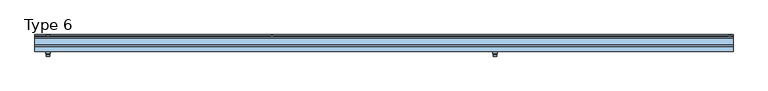
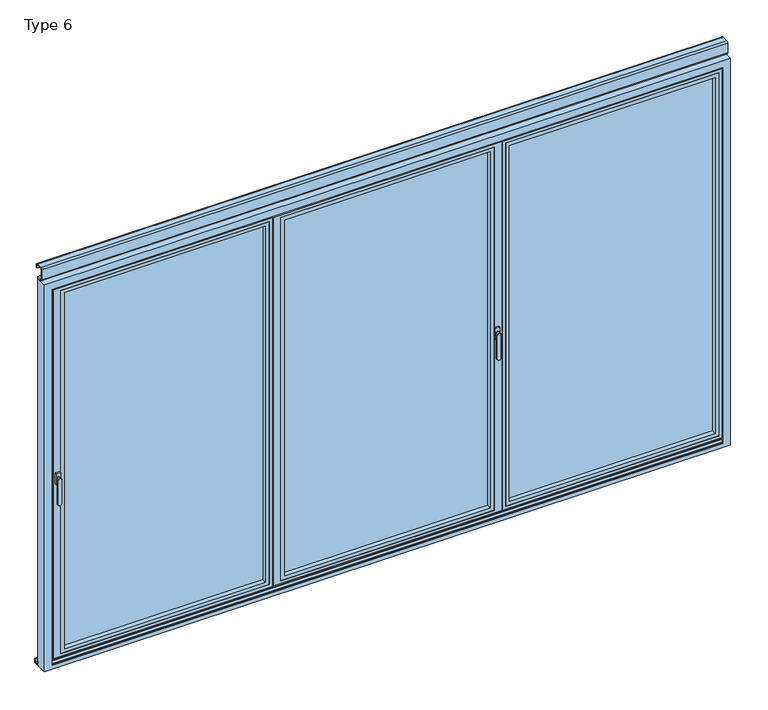
"""IFC4 building model written with IfcOpenShell, lengths in millimetres: window geometry, Type 6."""

from ifc_helpers import new_model, si_unit, point, frame, frame_2d, origin, place, context, project, spatial, polyline, circle_curve, trimmed, segment, composite_curve, outline, extrude, faceted_brep, source, transform, mapped, element, save
from ifc_brep_helpers import plane_surface, revolved_surface, advanced_brep


def type_6_2e5f3cea(model_context):
    return source(origin(), model_context, "Body", "SolidModel", [
        advanced_brep(
        [(-1712.0, 89.0, 1028.0), (-1734.0, 89.0, 1028.0), (-1713.0, 96.5, 1028.0), (-1733.0, 96.5, 1028.0), (-1732.0, 104.0, 896.6867153), (-1714.0, 104.0, 896.6867153), (-1713.0, 96.5, 896.6867153), (-1733.0, 96.5, 896.6867153), (-1732.0, 104.0, 1028.0), (-1714.0, 104.0, 1028.0)],
        [
            (0, 1, circle_curve(frame((-1723.0, 89.0, 1028.0), z_axis=(0.0, -1.0, 0.0), x_axis=(1.0, 0.0, 0.0)), 11.0)),
            (1, 0, circle_curve(frame((-1723.0, 89.0, 1028.0), z_axis=(0.0, -1.0, 0.0), x_axis=(-1.0, 0.0, 0.0)), 11.0)),
            (0, 2),
            (2, 3, circle_curve(frame((-1723.0, 96.5, 1028.0), z_axis=(0.0, -1.0, 0.0), x_axis=(1.0, 0.0, 0.0)), 10.0)),
            (3, 1),
            (4, 5, circle_curve(frame((-1723.0, 104.0, 896.6867153), z_axis=(0.0, -1.0, 0.0), x_axis=(1.0, 0.0, 0.0)), 9.0)),
            (5, 6),
            (6, 7, circle_curve(frame((-1723.0, 96.5, 896.6867153), z_axis=(0.0, 1.0, 0.0), x_axis=(1.0, 0.0, 0.0)), 10.0)),
            (7, 4),
            (4, 8),
            (8, 9, circle_curve(frame((-1723.0, 104.0, 1028.0), z_axis=(0.0, 1.0, 0.0), x_axis=(-1.0, 0.0, 0.0)), 9.0)),
            (9, 5),
            (6, 2),
            (2, 3, circle_curve(frame((-1723.0, 96.5, 1028.0), z_axis=(0.0, 1.0, 0.0), x_axis=(-1.0, 0.0, 0.0)), 10.0)),
            (3, 7),
            (3, 8),
            (2, 9),
        ],
        [
            plane_surface(frame((-1723.0, 89.0, 1028.0), z_axis=(0.0, -1.0, 0.0), x_axis=(0.0, 0.0, 1.0))),
            revolved_surface(polyline([(-1733.0, 96.5, 1028.0), (-1734.0, 89.0, 1028.0)]), (-1723.0, 171.5, 1028.0), (0.0, -1.0, 0.0)),
            revolved_surface(polyline([(-1714.0, 104.0, 896.6867153), (-1713.0, 96.5, 896.6867153)]), (-1723.0, 171.5, 896.6867153), (0.0, -1.0, 0.0)),
            plane_surface(frame((-1723.0, 104.0, 962.3433576), z_axis=(0.0, 1.0, 0.0), x_axis=(0.0, 0.0, -1.0))),
            plane_surface(frame((-1723.0, 96.5, 962.3433576), z_axis=(0.0, -1.0, 0.0), x_axis=(0.0, 0.0, -1.0))),
            plane_surface(frame((-1733.0, 96.5, 962.3433576), z_axis=(-0.9912279006826299, 0.13216372009105404, 0.0), x_axis=(0.0, 0.0, 1.0))),
            revolved_surface(polyline([(-1732.0, 104.0, 1028.0), (-1733.0, 96.5, 1028.0)]), (-1723.0, 171.5, 1028.0), (0.0, -1.0, 0.0)),
            plane_surface(frame((-1713.0, 96.5, 962.3433576), z_axis=(0.9912279006826269, 0.1321637200910767, 0.0), x_axis=(0.0, 0.0, -1.0))),
            revolved_surface(polyline([(-1713.0, 96.5, 1028.0), (-1712.0, 89.0, 1028.0)]), (-1723.0, 171.5, 1028.0), (0.0, -1.0, 0.0)),
        ],
        [
            (0, [[1, 2]]),
            (1, [[-1, 3, 4, 5]]),
            (2, [[6, 7, 8, 9]]),
            (3, [[-6, 10, 11, 12]]),
            (4, [[13, 14, 15, -8]]),
            (5, [[-10, -9, -15, 16]]),
            (6, [[-11, -16, -4, 17]]),
            (7, [[-12, -17, -13, -7]]),
            (8, [[-2, -5, -14, -3]]),
        ],
    ),
        extrude(outline(polyline([(-1735.0, 89.0), (-1711.0, 89.0), (-1711.0, 80.0), (-1735.0, 80.0), (-1735.0, 89.0)])), frame((0.0, 0.0, 998.0), z_axis=(0.0, 0.0, 1.0), x_axis=(1.0, 0.0, 0.0)), (0.0, 0.0, 1.0), 60.0),
        advanced_brep(
        [(-1714.0, -4.0, 896.6867153), (-1714.0, -4.0, 1028.0), (-1732.0, -4.0, 1028.0), (-1732.0, -4.0, 896.6867153), (-1713.0, 3.5, 896.6867153), (-1733.0, 3.5, 896.6867153), (-1733.0, 3.5, 1028.0), (-1713.0, 3.5, 1028.0), (-1712.0, 11.0, 1028.0), (-1734.0, 11.0, 1028.0)],
        [
            (0, 1),
            (1, 2, circle_curve(frame((-1723.0, -4.0, 1028.0), z_axis=(0.0, -1.0, 0.0), x_axis=(-1.0, 0.0, 0.0)), 9.0)),
            (2, 3),
            (3, 0, circle_curve(frame((-1723.0, -4.0, 896.6867153), z_axis=(0.0, -1.0, 0.0), x_axis=(1.0, 0.0, 0.0)), 9.0)),
            (4, 5, circle_curve(frame((-1723.0, 3.5, 896.6867153), z_axis=(0.0, 1.0, 0.0), x_axis=(1.0, 0.0, 0.0)), 10.0)),
            (5, 6),
            (6, 7, circle_curve(frame((-1723.0, 3.5, 1028.0), z_axis=(0.0, -1.0, 0.0), x_axis=(-1.0, 0.0, 0.0)), 10.0)),
            (7, 4),
            (3, 5),
            (4, 0),
            (2, 6),
            (1, 7),
            (7, 6, circle_curve(frame((-1723.0, 3.5, 1028.0), z_axis=(0.0, -1.0, 0.0), x_axis=(-1.0, 0.0, 0.0)), 10.0)),
            (8, 9, circle_curve(frame((-1723.0, 11.0, 1028.0), z_axis=(0.0, 1.0, 0.0), x_axis=(-1.0, 0.0, 0.0)), 11.0)),
            (9, 8, circle_curve(frame((-1723.0, 11.0, 1028.0), z_axis=(0.0, 1.0, 0.0), x_axis=(1.0, 0.0, 0.0)), 11.0)),
            (9, 6),
            (7, 8),
        ],
        [
            plane_surface(frame((-1723.0, -4.0, 962.3433576), z_axis=(0.0, -1.0, 0.0), x_axis=(0.0, 0.0, -1.0))),
            plane_surface(frame((-1723.0, 3.5, 962.3433576), z_axis=(0.0, 1.0, 0.0), x_axis=(0.0, 0.0, -1.0))),
            revolved_surface(polyline([(-1732.0, -4.0, 896.6867153), (-1733.0, 3.5, 896.6867153)]), (-1723.0, -71.5, 896.6867153), (0.0, 1.0, 0.0)),
            plane_surface(frame((-1733.0, 3.5, 962.3433576), z_axis=(-0.9912279006826277, -0.1321637200910704, 0.0), x_axis=(0.0, 0.0, 1.0))),
            revolved_surface(polyline([(-1714.0, -4.0, 1028.0), (-1713.0, 3.5, 1028.0)]), (-1723.0, -71.5, 1028.0), (0.0, 1.0, 0.0)),
            plane_surface(frame((-1713.0, 3.5, 962.3433576), z_axis=(0.9912279006826291, -0.1321637200910603, 0.0), x_axis=(0.0, 0.0, -1.0))),
            plane_surface(frame((-1723.0, 11.0, 1028.0), z_axis=(0.0, 1.0, 0.0), x_axis=(0.0, 0.0, 1.0))),
            revolved_surface(polyline([(-1733.0, 3.5, 1028.0), (-1734.0, 11.0, 1028.0)]), (-1723.0, -71.5, 1028.0), (0.0, 1.0, 0.0)),
            revolved_surface(polyline([(-1713.0, 3.5, 1028.0), (-1712.0, 11.0, 1028.0)]), (-1723.0, -71.5, 1028.0), (0.0, 1.0, 0.0)),
        ],
        [
            (0, [[1, 2, 3, 4]]),
            (1, [[5, 6, 7, 8]]),
            (2, [[9, -5, 10, -4]]),
            (3, [[11, -6, -9, -3]]),
            (4, [[12, 13, -11, -2]]),
            (5, [[-10, -8, -12, -1]]),
            (6, [[14, 15]]),
            (7, [[16, -13, 17, -15]]),
            (8, [[-17, -7, -16, -14]]),
        ],
    ),
        extrude(outline(polyline([(-1735.0, 11.0), (-1735.0, 20.0), (-1711.0, 20.0), (-1711.0, 11.0), (-1735.0, 11.0)])), frame((0.0, 0.0, 998.0), z_axis=(0.0, 0.0, 1.0), x_axis=(1.0, 0.0, 0.0)), (0.0, 0.0, 1.0), 60.0),
        extrude(outline(polyline([(-1755.0009231, 73.0), (-1730.0, 73.0), (-1730.0, 27.0), (-1755.0009231, 27.0), (-1755.0009231, 73.0)])), frame((0.0, 0.0, 25.0), z_axis=(0.0, 0.0, 1.0), x_axis=(1.0, 0.0, 0.0)), (0.0, 0.0, 1.0), 2055.0),
        faceted_brep([(-1770.0, 80.0, 10.0), (-1770.0, 80.0, 2095.0), (-1765.0, 80.0, 2095.0), (-1765.0, 80.0, 2070.0), (-1720.0, 80.0, 2070.0), (-1720.0, 80.0, 2095.0), (-576.6666667, 80.0, 2095.0), (-576.6666667, 80.0, 10.0), (-1720.0, 80.0, 10.0), (-1720.0, 80.0, 35.0), (-1765.0, 80.0, 35.0), (-1765.0, 80.0, 10.0), (-639.1666667, 80.0, 72.5), (-639.1666667, 80.0, 2032.5), (-1682.5, 80.0, 2032.5), (-1682.5, 80.0, 72.5), (-601.6666667, 20.0, 2070.0), (-606.6666667, 20.0, 2070.0), (-1745.0, 20.0, 2070.0), (-1745.0, 20.0, 35.0), (-606.6666667, 20.0, 35.0), (-601.6666667, 20.0, 35.0), (-1705.0, 20.0, 50.0), (-1705.0, 20.0, 2055.0), (-616.6666667, 20.0, 2055.0), (-616.6666667, 20.0, 50.0), (-616.6666667, 72.75, 2055.0), (-616.6666667, 72.75, 50.0), (-1705.0, 72.75, 50.0), (-1705.0, 72.75, 2055.0), (-1682.5, 72.75, 72.5), (-1682.5, 72.75, 2032.5), (-639.1666667, 72.75, 2032.5), (-639.1666667, 72.75, 72.5), (-576.6666667, 73.0, 10.0), (-1720.0, 73.0, 10.0), (-1745.0, 27.0, 35.0), (-1730.0, 27.0, 35.0), (-606.6666667, 27.0, 35.0), (-601.6666667, 27.0, 35.0), (-1720.0, 73.0, 25.0), (-1720.0, 73.0, 35.0), (-1720.0, 73.0, 2070.0), (-1720.0, 73.0, 2080.0), (-1720.0, 73.0, 2095.0), (-1730.0, 73.0, 2070.0), (-1730.0, 73.0, 2080.0), (-1730.0, 73.0, 25.0), (-1730.0, 73.0, 35.0), (-591.6666667, 73.0, 25.0), (-591.6666667, 73.0, 35.0), (-591.6666667, 73.0, 2070.0), (-591.6666667, 73.0, 2080.0), (-591.6666667, 27.0, 2080.0), (-591.6666667, 27.0, 25.0), (-1730.0, 27.0, 25.0), (-1730.0, 27.0, 2070.0), (-1730.0, 27.0, 2080.0), (-606.6666667, 27.0, 2070.0), (-601.6666667, 27.0, 2070.0), (-576.6666667, 73.0, 35.0), (-576.6666667, 73.0, 2070.0), (-576.6666667, 73.0, 2095.0), (-1745.0, 27.0, 2070.0), (-1765.0, 73.0, 10.0), (-1770.0, 73.0, 10.0), (-1765.0, 73.0, 35.0), (-1765.0, 73.0, 2095.0), (-1765.0, 73.0, 2070.0), (-1770.0, 73.0, 2095.0)], [[[0, 1, 2, 3, 4, 5, 6, 7, 8, 9, 10, 11], [12, 13, 14, 15]], [[16, 17, 18, 19, 20, 21], [22, 23, 24, 25]], [[25, 24, 26, 27]], [[27, 28, 22, 25]], [[28, 29, 23, 22]], [[27, 26, 29, 28], [30, 31, 32, 33]], [[33, 32, 13, 12]], [[12, 15, 30, 33]], [[15, 14, 31, 30]], [[29, 26, 24, 23]], [[14, 13, 32, 31]], [[34, 35, 8, 7]], [[21, 20, 19, 36, 37, 38, 39]], [[35, 40, 41, 9, 8]], [[5, 4, 42, 43, 44]], [[43, 42, 45, 46]], [[47, 48, 41, 40]], [[49, 50, 51, 52, 53, 54]], [[54, 55, 47, 40, 49]], [[55, 37, 56, 57, 46, 45, 48, 47]], [[57, 53, 52, 43, 46]], [[54, 53, 57, 56, 58, 59, 39, 38, 37, 55]], [[21, 39, 59, 16]], [[35, 34, 60, 61, 62, 44, 43, 52, 51, 50, 49, 40]], [[6, 5, 44, 62]], [[59, 58, 56, 63, 18, 17, 16]], [[0, 11, 64, 65]], [[11, 10, 66, 64]], [[67, 68, 3, 2]], [[66, 10, 9, 41, 48]], [[62, 61, 60, 34, 7, 6]], [[65, 69, 1, 0]], [[19, 18, 63, 36]], [[64, 66, 48, 45, 68, 67, 69, 65]], [[63, 56, 37, 36]], [[1, 69, 67, 2]], [[45, 42, 4, 3, 68]]]),
        extrude(outline(polyline([(-616.6666667, 72.75), (-616.6666667, 44.75), (-1705.0, 44.75), (-1705.0, 72.75), (-616.6666667, 72.75)])), frame((0.0, 0.0, 50.0), z_axis=(0.0, 0.0, 1.0), x_axis=(1.0, 0.0, 0.0)), (0.0, 0.0, 1.0), 2005.0),
        extrude(outline(polyline([(2055.0, -616.6666667), (2055.0, -1705.0), (50.0, -1705.0), (50.0, -616.6666667), (2055.0, -616.6666667)]), holes=[polyline([(2035.0009231, -1685.0009231), (2035.0009231, -636.6657436), (69.9990769, -636.6657436), (69.9990769, -1685.0009231), (2035.0009231, -1685.0009231)])]), frame((0.0, 20.5, 0.0), z_axis=(0.0, 1.0, 0.0), x_axis=(0.0, 0.0, 1.0)), (0.0, 0.0, 1.0), 24.25),
        extrude(outline(composite_curve([segment(trimmed(circle_curve(frame_2d((-574.1666667, 93.5)), 10.0), [point((-564.1666667, 93.5))], [point((-584.1666667, 93.5))], False, "CARTESIAN"), True, "CONTINUOUS"), segment(trimmed(circle_curve(frame_2d((-574.1666667, 93.5)), 10.0), [point((-584.1666667, 93.5))], [point((-564.1666667, 93.5))], False, "CARTESIAN"), True, "CONTINUOUS")], self_intersect=False)), frame((0.0, 0.0, -12.0640378), z_axis=(0.0, 0.0, 1.0), x_axis=(1.0, 0.0, 0.0)), (0.0, 0.0, 1.0), 166.5636122),
        extrude(outline(composite_curve([segment(trimmed(circle_curve(frame_2d((-574.1666667, 93.5)), 10.0), [point((-584.1666667, 93.5))], [point((-564.1666667, 93.5))], False, "CARTESIAN"), True, "CONTINUOUS"), segment(trimmed(circle_curve(frame_2d((-574.1666667, 93.5)), 10.0), [point((-564.1666667, 93.5))], [point((-584.1666667, 93.5))], False, "CARTESIAN"), True, "CONTINUOUS")], self_intersect=False)), frame((0.0, 0.0, 1972.5), z_axis=(0.0, 0.0, 1.0), x_axis=(1.0, 0.0, 0.0)), (0.0, 0.0, 1.0), 153.5),
        advanced_brep(
        [(560.1666667, -4.0, 896.6867153), (578.1666667, -4.0, 896.6867153), (578.1666667, -4.0, 1028.0), (560.1666667, -4.0, 1028.0), (559.1666667, 3.5, 896.6867153), (559.1666667, 3.5, 1028.0), (579.1666667, 3.5, 1028.0), (579.1666667, 3.5, 896.6867153), (558.1666667, 11.0, 1028.0), (580.1666667, 11.0, 1028.0)],
        [
            (0, 1, circle_curve(frame((569.1666667, -4.0, 896.6867153), z_axis=(0.0, -1.0, 0.0), x_axis=(-1.0000000000000009, 0.0, 0.0)), 9.0)),
            (1, 2),
            (2, 3, circle_curve(frame((569.1666667, -4.0, 1028.0), z_axis=(0.0, -1.0, 0.0), x_axis=(1.0000000000000009, 0.0, 0.0)), 9.0)),
            (3, 0),
            (4, 5),
            (5, 6, circle_curve(frame((569.1666667, 3.5, 1028.0), z_axis=(0.0, -1.0, 0.0), x_axis=(1.0000000000000009, 0.0, 0.0)), 10.0)),
            (6, 7),
            (7, 4, circle_curve(frame((569.1666667, 3.5, 896.6867153), z_axis=(0.0, 1.0, 0.0), x_axis=(-1.0000000000000009, 0.0, 0.0)), 10.0)),
            (0, 4),
            (7, 1),
            (6, 2),
            (6, 5, circle_curve(frame((569.1666667, 3.5, 1028.0), z_axis=(0.0, -1.0, 0.0), x_axis=(1.0000000000000009, 0.0, 0.0)), 10.0)),
            (5, 3),
            (8, 9, circle_curve(frame((569.1666667, 11.0, 1028.0), z_axis=(0.0, 1.0, 0.0), x_axis=(-1.0000000000000009, 0.0, 0.0)), 11.0)),
            (9, 8, circle_curve(frame((569.1666667, 11.0, 1028.0), z_axis=(0.0, 1.0, 0.0), x_axis=(1.0000000000000009, 0.0, 0.0)), 11.0)),
            (8, 5),
            (6, 9),
        ],
        [
            plane_surface(frame((569.1666667, -4.0, 962.3433576), z_axis=(0.0, -1.0, 0.0), x_axis=(0.0, 0.0, -1.0))),
            plane_surface(frame((569.1666667, 3.5, 962.3433576), z_axis=(0.0, 1.0, 0.0), x_axis=(0.0, 0.0, -1.0))),
            revolved_surface(polyline([(560.1666667, -4.0, 896.6867153), (559.1666667, 3.5, 896.6867153)]), (569.1666667, -71.5, 896.6867153), (0.0, 1.0000000000000009, 0.0)),
            plane_surface(frame((579.1666667, 3.5, 962.3433576), z_axis=(0.9912279006826268, -0.1321637200910768, 0.0), x_axis=(0.0, 0.0, 1.0))),
            revolved_surface(polyline([(578.1666667, -4.0, 1028.0), (579.1666667, 3.5, 1028.0)]), (569.1666667, -71.5, 1028.0), (0.0, 1.0000000000000009, 0.0)),
            plane_surface(frame((559.1666667, 3.5, 962.3433576), z_axis=(-0.99122790068263, -0.13216372009105393, 0.0), x_axis=(0.0, 0.0, -1.0))),
            plane_surface(frame((569.1666667, 11.0, 1028.0), z_axis=(0.0, 1.0, 0.0), x_axis=(0.0, 0.0, 1.0))),
            revolved_surface(polyline([(579.1666667, 3.5, 1028.0), (580.1666667, 11.0, 1028.0)]), (569.1666667, -71.5, 1028.0), (0.0, 1.0000000000000009, 0.0)),
            revolved_surface(polyline([(559.1666667, 3.5, 1028.0), (558.1666667, 11.0, 1028.0)]), (569.1666667, -71.5, 1028.0), (0.0, 1.0000000000000009, 0.0)),
        ],
        [
            (0, [[1, 2, 3, 4]]),
            (1, [[5, 6, 7, 8]]),
            (2, [[-1, 9, -8, 10]]),
            (3, [[-2, -10, -7, 11]]),
            (4, [[-3, -11, 12, 13]]),
            (5, [[-4, -13, -5, -9]]),
            (6, [[14, 15]]),
            (7, [[-14, 16, -12, 17]]),
            (8, [[-15, -17, -6, -16]]),
        ],
    ),
        extrude(outline(polyline([(581.1666667, 11.0), (557.1666667, 11.0), (557.1666667, 20.0), (581.1666667, 20.0), (581.1666667, 11.0)])), frame((0.0, 0.0, 998.0), z_axis=(0.0, 0.0, 1.0), x_axis=(1.0, 0.0, 0.0)), (0.0, 0.0, 1.0), 60.0),
        faceted_brep([(571.6666667, 80.0, 10.0), (-571.6666667, 80.0, 10.0), (-571.6666667, 80.0, 35.0), (-571.6666667, 80.0, 2070.0), (-571.6666667, 80.0, 2095.0), (571.6666667, 80.0, 2095.0), (571.6666667, 80.0, 2070.0), (571.6666667, 80.0, 35.0), (-534.1666667, 80.0, 72.5), (534.1666667, 80.0, 72.5), (534.1666667, 80.0, 2032.5), (-534.1666667, 80.0, 2032.5), (596.6666667, 20.0, 35.0), (596.6666667, 20.0, 2070.0), (-596.6666667, 20.0, 2070.0), (-596.6666667, 20.0, 35.0), (556.6666667, 20.0, 50.0), (-556.6666667, 20.0, 50.0), (-556.6666667, 20.0, 2055.0), (556.6666667, 20.0, 2055.0), (-556.6666667, 72.75, 50.0), (-556.6666667, 72.75, 2055.0), (556.6666667, 72.75, 50.0), (556.6666667, 72.75, 2055.0), (534.1666667, 72.75, 72.5), (-534.1666667, 72.75, 72.5), (-534.1666667, 72.75, 2032.5), (534.1666667, 72.75, 2032.5), (-571.6666667, 73.0, 10.0), (571.6666667, 73.0, 10.0), (596.6666667, 27.0, 35.0), (-596.6666667, 27.0, 35.0), (-581.6666667, 27.0, 35.0), (581.6666667, 27.0, 35.0), (-581.6666667, 73.0, 25.0), (-581.6666667, 73.0, 2080.0), (-571.6666667, 73.0, 2080.0), (-571.6666667, 73.0, 2070.0), (-571.6666667, 73.0, 35.0), (-571.6666667, 73.0, 25.0), (581.6666667, 73.0, 2080.0), (581.6666667, 73.0, 25.0), (571.6666667, 73.0, 25.0), (571.6666667, 73.0, 35.0), (571.6666667, 73.0, 2070.0), (571.6666667, 73.0, 2080.0), (-581.6666667, 27.0, 25.0), (-581.6666667, 27.0, 2070.0), (-581.6666667, 27.0, 2080.0), (581.6666667, 27.0, 25.0), (581.6666667, 27.0, 2080.0), (581.6666667, 27.0, 2070.0), (596.6666667, 27.0, 2070.0), (-596.6666667, 27.0, 2070.0), (-571.6666667, 73.0, 2095.0), (571.6666667, 73.0, 2095.0)], [[[0, 1, 2, 3, 4, 5, 6, 7], [8, 9, 10, 11]], [[12, 13, 14, 15], [16, 17, 18, 19]], [[17, 20, 21, 18]], [[20, 17, 16, 22]], [[22, 16, 19, 23]], [[20, 22, 23, 21], [24, 25, 26, 27]], [[25, 8, 11, 26]], [[8, 25, 24, 9]], [[9, 24, 27, 10]], [[23, 19, 18, 21]], [[10, 27, 26, 11]], [[28, 1, 0, 29]], [[30, 12, 15, 31, 32, 33]], [[34, 35, 36, 37, 38, 39]], [[40, 41, 42, 43, 44, 45]], [[34, 46, 32, 47, 48, 35]], [[46, 34, 39, 42, 41, 49]], [[49, 41, 40, 50, 51, 33]], [[46, 49, 33, 32]], [[50, 48, 47, 51]], [[50, 40, 45, 36, 35, 48]], [[14, 13, 52, 51, 47, 53]], [[54, 4, 3, 2, 1, 28, 39, 38, 37, 36]], [[29, 0, 7, 6, 5, 55, 45, 44, 43, 42]], [[39, 28, 29, 42]], [[54, 36, 45, 55]], [[4, 54, 55, 5]], [[12, 30, 52, 13]], [[14, 53, 31, 15]], [[52, 30, 33, 51]], [[31, 53, 47, 32]]]),
        extrude(outline(polyline([(-556.6666667, 72.75), (556.6666667, 72.75), (556.6666667, 44.75), (-556.6666667, 44.75), (-556.6666667, 72.75)])), frame((0.0, 0.0, 50.0), z_axis=(0.0, 0.0, 1.0), x_axis=(1.0, 0.0, 0.0)), (0.0, 0.0, 1.0), 2005.0),
        extrude(outline(polyline([(2055.0, -556.6666667), (50.0, -556.6666667), (50.0, 556.6666667), (2055.0, 556.6666667), (2055.0, -556.6666667)]), holes=[polyline([(2035.0009231, 536.6675897), (69.9990769, 536.6675897), (69.9990769, -536.6675897), (2035.0009231, -536.6675897), (2035.0009231, 536.6675897)])]), frame((0.0, 20.5, 0.0), z_axis=(0.0, 1.0, 0.0), x_axis=(0.0, 0.0, 1.0)), (0.0, 0.0, 1.0), 24.25),
        extrude(outline(composite_curve([segment(trimmed(circle_curve(frame_2d((-574.1666667, 93.5)), 10.0), [point((-584.1666667, 93.5))], [point((-564.1666667, 93.5))], False, "CARTESIAN"), True, "CONTINUOUS"), segment(trimmed(circle_curve(frame_2d((-574.1666667, 93.5)), 10.0), [point((-564.1666667, 93.5))], [point((-584.1666667, 93.5))], False, "CARTESIAN"), True, "CONTINUOUS")], self_intersect=False)), frame((0.0, 0.0, -12.0640378), z_axis=(0.0, 0.0, 1.0), x_axis=(1.0, 0.0, 0.0)), (0.0, 0.0, 1.0), 166.5636122),
        extrude(outline(composite_curve([segment(trimmed(circle_curve(frame_2d((-574.1666667, 93.5)), 10.0), [point((-564.1666667, 93.5))], [point((-584.1666667, 93.5))], False, "CARTESIAN"), True, "CONTINUOUS"), segment(trimmed(circle_curve(frame_2d((-574.1666667, 93.5)), 10.0), [point((-584.1666667, 93.5))], [point((-564.1666667, 93.5))], False, "CARTESIAN"), True, "CONTINUOUS")], self_intersect=False)), frame((0.0, 0.0, 1972.5), z_axis=(0.0, 0.0, 1.0), x_axis=(1.0, 0.0, 0.0)), (0.0, 0.0, 1.0), 153.5),
        faceted_brep([(576.6666667, 80.0, 10.0), (576.6666667, 80.0, 2095.0), (581.6666667, 80.0, 2095.0), (581.6666667, 80.0, 2070.0), (601.6666667, 80.0, 2070.0), (601.6666667, 80.0, 2095.0), (1770.0, 80.0, 2095.0), (1770.0, 80.0, 10.0), (601.6666667, 80.0, 10.0), (601.6666667, 80.0, 35.0), (581.6666667, 80.0, 35.0), (581.6666667, 80.0, 10.0), (1707.5, 80.0, 72.5), (1707.5, 80.0, 2032.5), (639.1666667, 80.0, 2032.5), (639.1666667, 80.0, 72.5), (601.6666667, 20.0, 35.0), (606.6666667, 20.0, 35.0), (1740.0, 20.0, 35.0), (1745.0, 20.0, 35.0), (1745.0, 20.0, 2070.0), (1740.0, 20.0, 2070.0), (606.6666667, 20.0, 2070.0), (601.6666667, 20.0, 2070.0), (616.6666667, 20.0, 50.0), (616.6666667, 20.0, 2055.0), (1730.0, 20.0, 2055.0), (1730.0, 20.0, 50.0), (1730.0, 72.75, 2055.0), (1730.0, 72.75, 50.0), (616.6666667, 72.75, 50.0), (616.6666667, 72.75, 2055.0), (639.1666667, 72.75, 72.5), (639.1666667, 72.75, 2032.5), (1707.5, 72.75, 2032.5), (1707.5, 72.75, 72.5), (1770.0, 73.0, 10.0), (601.6666667, 73.0, 10.0), (601.6666667, 27.0, 35.0), (606.6666667, 27.0, 35.0), (1740.0, 27.0, 35.0), (1745.0, 27.0, 35.0), (601.6666667, 73.0, 25.0), (601.6666667, 73.0, 35.0), (601.6666667, 73.0, 2070.0), (601.6666667, 73.0, 2080.0), (601.6666667, 73.0, 2095.0), (591.6666667, 73.0, 2070.0), (591.6666667, 73.0, 2080.0), (591.6666667, 73.0, 25.0), (591.6666667, 73.0, 35.0), (1755.0, 73.0, 25.0), (1755.0, 73.0, 35.0), (1755.0, 73.0, 2070.0), (1755.0, 73.0, 2080.0), (1755.0, 27.0, 2080.0), (1755.0, 27.0, 25.0), (591.6666667, 27.0, 25.0), (591.6666667, 27.0, 2080.0), (601.6666667, 27.0, 2070.0), (606.6666667, 27.0, 2070.0), (1740.0, 27.0, 2070.0), (1745.0, 27.0, 2070.0), (1770.0, 73.0, 35.0), (1770.0, 73.0, 2070.0), (1770.0, 73.0, 2095.0), (581.6666667, 73.0, 10.0), (576.6666667, 73.0, 10.0), (581.6666667, 73.0, 35.0), (581.6666667, 73.0, 2095.0), (581.6666667, 73.0, 2070.0), (576.6666667, 73.0, 2095.0)], [[[0, 1, 2, 3, 4, 5, 6, 7, 8, 9, 10, 11], [12, 13, 14, 15]], [[16, 17, 18, 19, 20, 21, 22, 23], [24, 25, 26, 27]], [[27, 26, 28, 29]], [[29, 30, 24, 27]], [[30, 31, 25, 24]], [[29, 28, 31, 30], [32, 33, 34, 35]], [[35, 34, 13, 12]], [[12, 15, 32, 35]], [[15, 14, 33, 32]], [[31, 28, 26, 25]], [[14, 13, 34, 33]], [[36, 37, 8, 7]], [[19, 18, 17, 16, 38, 39, 40, 41]], [[37, 42, 43, 9, 8]], [[5, 4, 44, 45, 46]], [[45, 44, 47, 48]], [[49, 50, 43, 42]], [[51, 52, 53, 54, 55, 56]], [[56, 57, 49, 42, 51]], [[57, 58, 48, 47, 50, 49]], [[58, 55, 54, 45, 48]], [[56, 55, 58, 57], [41, 40, 39, 38, 59, 60, 61, 62]], [[23, 59, 38, 16]], [[19, 41, 62, 20]], [[37, 36, 63, 64, 65, 46, 45, 54, 53, 52, 51, 42]], [[6, 5, 46, 65]], [[23, 22, 21, 20, 62, 61, 60, 59]], [[0, 11, 66, 67]], [[11, 10, 68, 66]], [[69, 70, 3, 2]], [[68, 10, 9, 43, 50]], [[65, 64, 63, 36, 7, 6]], [[67, 71, 1, 0]], [[66, 68, 50, 47, 70, 69, 71, 67]], [[1, 71, 69, 2]], [[47, 44, 4, 3, 70]]]),
        extrude(outline(polyline([(1730.0, 72.75), (1730.0, 44.75), (616.6666667, 44.75), (616.6666667, 72.75), (1730.0, 72.75)])), frame((0.0, 0.0, 50.0), z_axis=(0.0, 0.0, 1.0), x_axis=(1.0, 0.0, 0.0)), (0.0, 0.0, 1.0), 2005.0),
        extrude(outline(polyline([(2055.0, 1730.0), (2055.0, 616.6666667), (50.0, 616.6666667), (50.0, 1730.0), (2055.0, 1730.0)]), holes=[polyline([(2035.0009231, 636.6657436), (2035.0009231, 1710.0009231), (69.9990769, 1710.0009231), (69.9990769, 636.6657436), (2035.0009231, 636.6657436)])]), frame((0.0, 20.5, 0.0), z_axis=(0.0, 1.0, 0.0), x_axis=(0.0, 0.0, 1.0)), (0.0, 0.0, 1.0), 24.25),
        extrude(outline(composite_curve([segment(trimmed(circle_curve(frame_2d((1772.5, 93.5)), 10.0), [point((1782.5, 93.5))], [point((1762.5, 93.5))], False, "CARTESIAN"), True, "CONTINUOUS"), segment(trimmed(circle_curve(frame_2d((1772.5, 93.5)), 10.0), [point((1762.5, 93.5))], [point((1782.5, 93.5))], False, "CARTESIAN"), True, "CONTINUOUS")], self_intersect=False)), frame((0.0, 0.0, -12.0640378), z_axis=(0.0, 0.0, 1.0), x_axis=(1.0, 0.0, 0.0)), (0.0, 0.0, 1.0), 166.5636122),
        extrude(outline(composite_curve([segment(trimmed(circle_curve(frame_2d((1772.5, 93.5)), 10.0), [point((1762.5, 93.5))], [point((1782.5, 93.5))], False, "CARTESIAN"), True, "CONTINUOUS"), segment(trimmed(circle_curve(frame_2d((1772.5, 93.5)), 10.0), [point((1782.5, 93.5))], [point((1762.5, 93.5))], False, "CARTESIAN"), True, "CONTINUOUS")], self_intersect=False)), frame((0.0, 0.0, 1972.5), z_axis=(0.0, 0.0, 1.0), x_axis=(1.0, 0.0, 0.0)), (0.0, 0.0, 1.0), 153.5),
        extrude(outline(composite_curve([segment(polyline([(95.0, 2165.0), (91.0, 2165.0), (91.0, 2182.0)]), True, "CONTINUOUS"), segment(trimmed(circle_curve(frame_2d((87.0, 2182.0)), 4.0), [point((91.0, 2182.0))], [point((87.0, 2186.0))], True, "CARTESIAN"), True, "CONTINUOUS"), segment(polyline([(87.0, 2186.0), (53.0, 2186.0)]), True, "CONTINUOUS"), segment(trimmed(circle_curve(frame_2d((53.0, 2182.0)), 4.0), [point((53.0, 2186.0))], [point((49.0, 2182.0))], True, "CARTESIAN"), True, "CONTINUOUS"), segment(polyline([(49.0, 2182.0), (49.0, 2128.0)]), True, "CONTINUOUS"), segment(trimmed(circle_curve(frame_2d((53.0, 2128.0)), 4.0), [point((49.0, 2128.0))], [point((53.0, 2124.0))], True, "CARTESIAN"), True, "CONTINUOUS"), segment(polyline([(53.0, 2124.0), (80.0, 2124.0), (80.0, 2115.0), (58.5, 2115.0), (58.5, 2120.0), (53.0, 2120.0)]), True, "CONTINUOUS"), segment(trimmed(circle_curve(frame_2d((53.0, 2128.0)), 8.0), [point((53.0, 2120.0))], [point((45.0, 2128.0))], False, "CARTESIAN"), True, "CONTINUOUS"), segment(polyline([(45.0, 2128.0), (45.0, 2182.0)]), True, "CONTINUOUS"), segment(trimmed(circle_curve(frame_2d((53.0, 2182.0)), 8.0), [point((45.0, 2182.0))], [point((53.0, 2190.0))], False, "CARTESIAN"), True, "CONTINUOUS"), segment(polyline([(53.0, 2190.0), (87.0, 2190.0)]), True, "CONTINUOUS"), segment(trimmed(circle_curve(frame_2d((87.0, 2182.0)), 8.0), [point((87.0, 2190.0))], [point((95.0, 2182.0))], False, "CARTESIAN"), True, "CONTINUOUS"), segment(polyline([(95.0, 2182.0), (95.0, 2165.0)]), True, "CONTINUOUS")], self_intersect=False)), frame((-1790.0, 0.0, 0.0), z_axis=(1.0, 0.0, 0.0), x_axis=(0.0, 1.0, 0.0)), (0.0, 0.0, 1.0), 3580.0),
        extrude(outline(polyline([(82.5218516, 1.0), (82.5218516, -19.0), (103.5218516, -19.0), (103.5218516, 1.0), (106.5218516, 1.0), (106.5218516, -22.0), (80.0, -22.0), (80.0, 1.0), (82.5218516, 1.0)])), frame((-1790.0, 0.0, 0.0), z_axis=(1.0, 0.0, 0.0), x_axis=(0.0, 1.0, 0.0)), (0.0, 0.0, 1.0), 3580.0),
        faceted_brep([(1790.0, 80.0, -22.0), (1790.0, 20.0, -22.0), (-1790.0, 20.0, -22.0), (-1790.0, 80.0, -22.0), (1790.0, 20.0, 2115.0), (1790.0, 80.0, 2115.0), (-1790.0, 20.0, 2115.0), (1750.0, 20.0, 2075.0), (1750.0, 20.0, 2.0), (-1750.0, 20.0, 2.0), (-1750.0, 20.0, 2075.0), (-1790.0, 80.0, 2115.0), (-1775.0, 80.0, 2100.0), (-1775.0, 80.0, 2.0), (1775.0, 80.0, 2.0), (1775.0, 80.0, 2100.0), (-1775.0, 73.0, 2100.0), (-1775.0, 73.0, 2.0), (1775.0, 73.0, 2.0), (1775.0, 73.0, 2100.0), (1750.0, 27.0, 2075.0), (1750.0, 27.0, 18.5), (1750.0, 23.5, 8.0), (1750.0, 23.5, 2.0), (-1750.0, 27.0, 2075.0), (-1750.0, 23.5, 2.0), (-1750.0, 23.5, 8.0), (-1750.0, 27.0, 18.5), (-1765.0, 27.0, 18.5), (-1765.0, 27.0, 2090.0), (1765.0, 27.0, 2090.0), (1765.0, 27.0, 18.5), (1765.0, 73.0, 2090.0), (1765.0, 73.0, 14.5), (1765.0, 37.849718, 14.5), (1765.0, 33.0276133, 18.5), (-1765.0, 73.0, 2090.0), (-1765.0, 33.0276133, 18.5), (-1765.0, 37.849718, 14.5), (-1765.0, 73.0, 14.5)], [[[0, 1, 2, 3]], [[4, 1, 0, 5]], [[2, 1, 4, 6], [7, 8, 9, 10]], [[2, 6, 11, 3]], [[0, 3, 11, 5], [12, 13, 14, 15]], [[12, 16, 17, 13]], [[18, 19, 15, 14]], [[7, 20, 21, 22, 23, 8]], [[24, 10, 9, 25, 26, 27]], [[20, 24, 27, 28, 29, 30, 31, 21]], [[30, 32, 33, 34, 35, 31]], [[36, 29, 28, 37, 38, 39]], [[16, 19, 18, 17], [32, 36, 39, 33]], [[12, 15, 19, 16]], [[5, 11, 6, 4]], [[7, 10, 24, 20]], [[30, 29, 36, 32]], [[14, 13, 17, 18]], [[9, 8, 23, 25]], [[21, 27, 26, 22]], [[25, 23, 22, 26]], [[27, 21, 31, 35, 37, 28]], [[33, 39, 38, 34]], [[37, 35, 34, 38]]]),
    ])


if __name__ == "__main__":
    model = new_model("IFC4")
    model_context = context("Model", 3, world=origin())
    ifc_project = project(units=[si_unit("LENGTHUNIT", "METRE", prefix="MILLI")], contexts=[model_context])
    site = spatial("IfcSite", under=ifc_project)
    building = spatial("IfcBuilding", under=site)
    placement = place(None, origin())
    type_6_shape = type_6_2e5f3cea(model_context)
    element("IfcWindow", 1, ObjectType="Type 6", at=placement, inside=building, context=model_context, shape_type="MappedRepresentation", body=[
        mapped(type_6_shape, transform((0.0, 0.0, 0.0), x_axis=(1.0, 0.0, 0.0), y_axis=(0.0, 1.0, 0.0), z_axis=(0.0, 0.0, 1.0))),
    ])
    save(model, "model.ifc")
